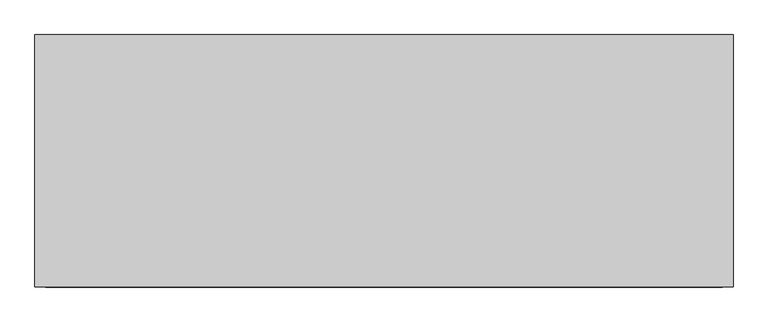
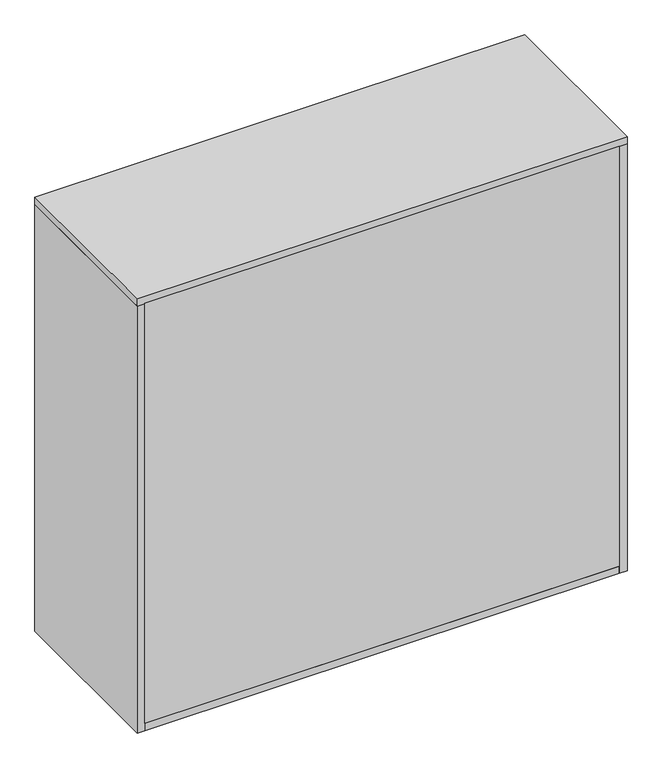
"""IFC4 building model written with IfcOpenShell, lengths in millimetres: furniture geometry."""

from ifc_helpers import new_model, si_unit, frame, origin, origin_with_axes, place, context, project, spatial, polyline, outline, extrude, source, transform, mapped, element, save


def furniture_0cd20a44(model_context):
    return source(origin(), model_context, "Body", "SweptSolid", [
        extrude(outline(polyline([(-881.0, -209.0), (-881.0, 171.0), (281.0, 171.0), (281.0, -209.0), (-881.0, -209.0)])), frame((0.0, 0.0, 411.0), z_axis=(0.0, 0.0, 1.0), x_axis=(1.0, 0.0, 0.0)), (0.0, 0.0, 1.0), 19.0),
        extrude(outline(polyline([(-881.0, -209.0), (-881.0, 171.0), (281.0, 171.0), (281.0, -209.0), (-881.0, -209.0)])), frame((0.0, 0.0, 786.0), z_axis=(0.0, 0.0, 1.0), x_axis=(1.0, 0.0, 0.0)), (0.0, 0.0, 1.0), 19.0),
        extrude(outline(polyline([(281.0, -209.0), (281.0, -217.0), (-881.0, -217.0), (-881.0, -209.0), (281.0, -209.0)])), frame((0.0, 0.0, 19.0), z_axis=(0.0, 0.0, 1.0), x_axis=(1.0, 0.0, 0.0)), (0.0, 0.0, 1.0), 1087.0),
        extrude(outline(polyline([(-900.0, 217.0), (300.0, 217.0), (300.0, -217.0), (-900.0, -217.0), (-900.0, 217.0)])), frame((0.0, 0.0, 1106.0), z_axis=(0.0, 0.0, 1.0), x_axis=(1.0, 0.0, 0.0)), (0.0, 0.0, 1.0), 19.0),
        extrude(outline(polyline([(300.0, -217.0), (281.0, -217.0), (281.0, 217.0), (300.0, 217.0), (300.0, -217.0)])), origin_with_axes(), (0.0, 0.0, 1.0), 1106.0),
        extrude(outline(polyline([(-881.0, -217.0), (-900.0, -217.0), (-900.0, 217.0), (-881.0, 217.0), (-881.0, -217.0)])), origin_with_axes(), (0.0, 0.0, 1.0), 1106.0),
        extrude(outline(polyline([(281.0, -217.0), (-881.0, -217.0), (-881.0, 217.0), (281.0, 217.0), (281.0, -217.0)])), origin_with_axes(), (0.0, 0.0, 1.0), 19.0),
    ])


if __name__ == "__main__":
    model = new_model("IFC4")
    model_context = context("Model", 3, world=origin())
    ifc_project = project(units=[si_unit("LENGTHUNIT", "METRE", prefix="MILLI")], contexts=[model_context])
    site = spatial("IfcSite", under=ifc_project)
    building = spatial("IfcBuilding", under=site)
    placement = place(None, origin())
    furniture_shape = furniture_0cd20a44(model_context)
    element("IfcFurniture", 1, at=placement, inside=building, context=model_context, shape_type="MappedRepresentation", body=[
        mapped(furniture_shape, transform((0.0, 0.0, 0.0), x_axis=(1.0, 0.0, 0.0), y_axis=(0.0, 1.0, 0.0), z_axis=(0.0, 0.0, 1.0))),
    ])
    save(model, "model.ifc")
